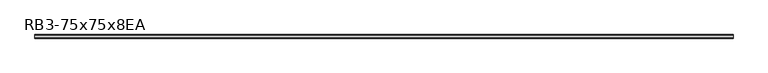
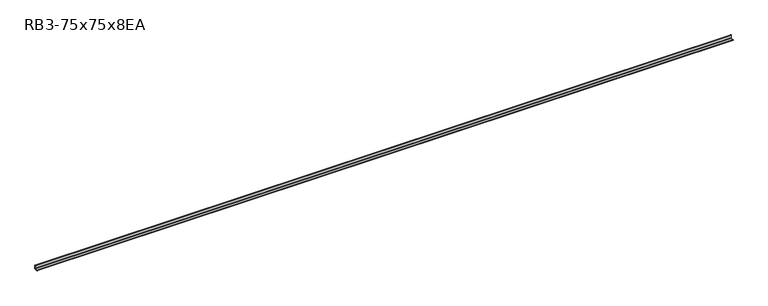
"""IFC4 building model written with IfcOpenShell, lengths in millimetres: member geometry, RB3-75x75x8EA."""

from ifc_helpers import new_model, si_unit, point, frame, frame_2d, origin, place, context, project, spatial, polyline, circle_curve, trimmed, segment, composite_curve, outline, extrude, source, transform, mapped, element, save


def rb3_75x75x8ea_0e0df4fd(model_context):
    return source(origin(), model_context, "Body", "SweptSolid", [
        extrude(outline(composite_curve([segment(polyline([(21.3, -21.3), (-53.7, -21.3), (-53.7, -18.3)]), True, "CONTINUOUS"), segment(trimmed(circle_curve(frame_2d((-48.7, -18.3)), 5.0), [point((-53.7, -18.3))], [point((-48.7, -13.3))], False, "CARTESIAN"), True, "CONTINUOUS"), segment(polyline([(-48.7, -13.3), (5.3, -13.3)]), True, "CONTINUOUS"), segment(trimmed(circle_curve(frame_2d((5.3, -5.3)), 8.0), [point((5.3, -13.3))], [point((13.3, -5.3))], True, "CARTESIAN"), True, "CONTINUOUS"), segment(polyline([(13.3, -5.3), (13.3, 48.7)]), True, "CONTINUOUS"), segment(trimmed(circle_curve(frame_2d((18.3, 48.7)), 5.0), [point((13.3, 48.7))], [point((18.3, 53.7))], False, "CARTESIAN"), True, "CONTINUOUS"), segment(polyline([(18.3, 53.7), (21.3, 53.7), (21.3, -21.3)]), True, "CONTINUOUS")], self_intersect=False)), frame((-7427.5, 0.0, 0.0), z_axis=(1.0, 0.0, 0.0), x_axis=(0.0, 1.0, 0.0)), (0.0, 0.0, 1.0), 14565.5529719),
    ])


if __name__ == "__main__":
    model = new_model("IFC4")
    model_context = context("Model", 3, world=origin())
    ifc_project = project(units=[si_unit("LENGTHUNIT", "METRE", prefix="MILLI")], contexts=[model_context])
    site = spatial("IfcSite", under=ifc_project)
    building = spatial("IfcBuilding", under=site)
    placement = place(None, origin())
    rb3_75x75x8ea_shape = rb3_75x75x8ea_0e0df4fd(model_context)
    element("IfcMember", 1, ObjectType="RB3-75x75x8EA", at=placement, inside=building, context=model_context, shape_type="MappedRepresentation", body=[
        mapped(rb3_75x75x8ea_shape, transform((0.0, 0.0, 0.0), x_axis=(1.0, 0.0, 0.0), y_axis=(0.0, 1.0, 0.0), z_axis=(0.0, 0.0, 1.0))),
    ])
    save(model, "model.ifc")
